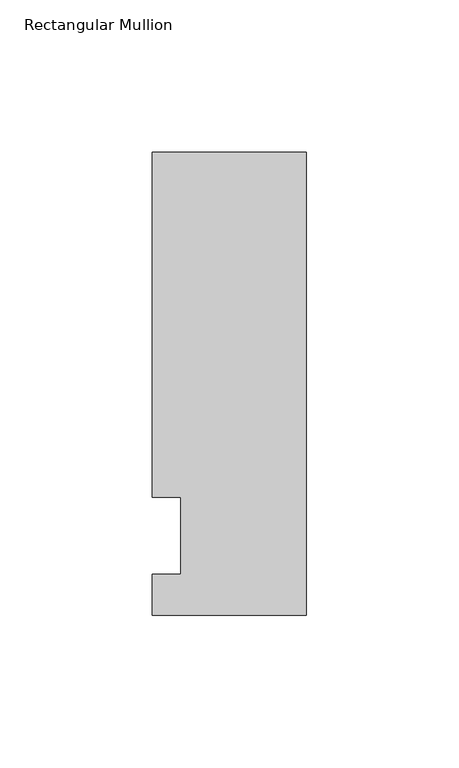
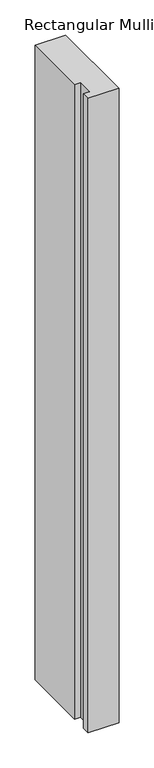
"""IFC4 building model written with IfcOpenShell, lengths in millimetres: member geometry, Rectangular Mullion."""

from ifc_helpers import new_model, si_unit, frame, origin, place, context, project, spatial, polyline, outline, extrude, source, transform, mapped, element, save


def rectangular_mullion_acfd940e(model_context):
    return source(origin(), model_context, "Body", "SweptSolid", [
        extrude(outline(polyline([(0.0, -26.19375), (-50.8, -26.19375), (-50.8, -12.7), (-41.275, -12.7), (-41.275, 12.7), (-50.8, 12.7), (-50.8, 126.20625), (0.0, 126.20625), (0.0, -26.19375)])), frame((0.0, 0.0, -1104.9), z_axis=(0.0, 0.0, 1.0), x_axis=(1.0, 0.0, 0.0)), (0.0, 0.0, 1.0), 1104.9),
    ])


if __name__ == "__main__":
    model = new_model("IFC4")
    model_context = context("Model", 3, world=origin())
    ifc_project = project(units=[si_unit("LENGTHUNIT", "METRE", prefix="MILLI")], contexts=[model_context])
    site = spatial("IfcSite", under=ifc_project)
    building = spatial("IfcBuilding", under=site)
    placement = place(None, origin())
    rectangular_mullion_shape = rectangular_mullion_acfd940e(model_context)
    element("IfcMember", 1, ObjectType="Rectangular Mullion", at=placement, inside=building, context=model_context, shape_type="MappedRepresentation", body=[
        mapped(rectangular_mullion_shape, transform((0.0, 0.0, 0.0), x_axis=(1.0, 0.0, 0.0), y_axis=(0.0, 1.0, 0.0), z_axis=(0.0, 0.0, 1.0))),
    ])
    save(model, "model.ifc")
